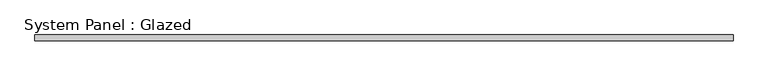
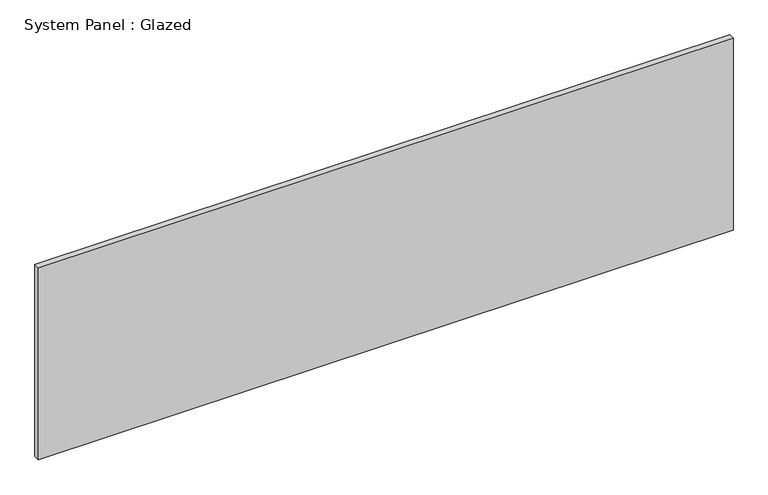
"""IFC4 building model written with IfcOpenShell, lengths in millimetres: plate geometry, System Panel : Glazed."""

from ifc_helpers import new_model, si_unit, origin, origin_with_axes, place, context, project, spatial, polyline, outline, extrude, source, transform, mapped, element, save


def system_panel_glazed_1748aa6c(model_context):
    return source(origin(), model_context, "Body", "SweptSolid", [
        extrude(outline(polyline([(1455.3059029, 24.5), (-1455.3059029, 24.5), (-1455.3059029, 49.5), (1455.3059029, 49.5), (1455.3059029, 24.5)])), origin_with_axes(), (0.0, 0.0, 1.0), 850.0),
    ])


if __name__ == "__main__":
    model = new_model("IFC4")
    model_context = context("Model", 3, world=origin())
    ifc_project = project(units=[si_unit("LENGTHUNIT", "METRE", prefix="MILLI")], contexts=[model_context])
    site = spatial("IfcSite", under=ifc_project)
    building = spatial("IfcBuilding", under=site)
    placement = place(None, origin())
    system_panel_glazed_shape = system_panel_glazed_1748aa6c(model_context)
    element("IfcPlate", 1, ObjectType="System Panel : Glazed", at=placement, inside=building, context=model_context, shape_type="MappedRepresentation", body=[
        mapped(system_panel_glazed_shape, transform((0.0, 0.0, 0.0), x_axis=(1.0, 0.0, 0.0), y_axis=(0.0, 1.0, 0.0), z_axis=(0.0, 0.0, 1.0))),
    ])
    save(model, "model.ifc")
